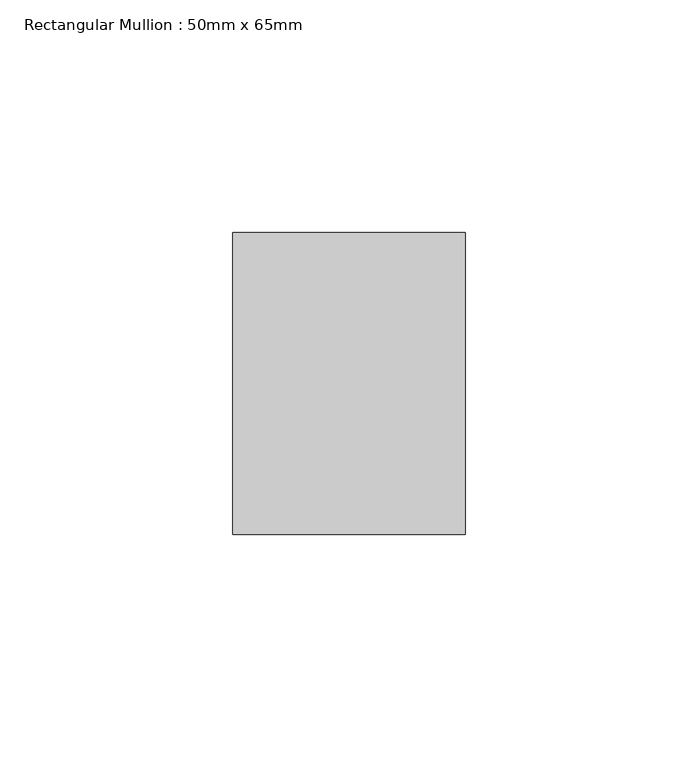
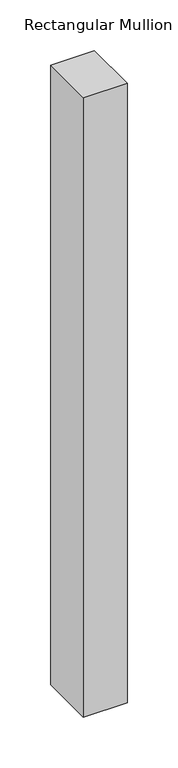
"""IFC4 building model written with IfcOpenShell, lengths in millimetres: member geometry, Rectangular Mullion : 50mm x 65mm."""

from ifc_helpers import new_model, si_unit, frame, origin, place, context, project, spatial, polyline, outline, extrude, source, transform, mapped, element, save


def rectangular_mullion_50mm_x_65mm_21fe7acf(model_context):
    return source(origin(), model_context, "Body", "SweptSolid", [
        extrude(outline(polyline([(25.0, 32.5), (25.0, -32.5), (-25.0, -32.5), (-25.0, 32.5), (25.0, 32.5)])), frame((0.0, 0.0, -748.3578443), z_axis=(0.0, 0.0, 1.0), x_axis=(1.0, 0.0, 0.0)), (0.0, 0.0, 1.0), 748.3578443),
    ])


if __name__ == "__main__":
    model = new_model("IFC4")
    model_context = context("Model", 3, world=origin())
    ifc_project = project(units=[si_unit("LENGTHUNIT", "METRE", prefix="MILLI")], contexts=[model_context])
    site = spatial("IfcSite", under=ifc_project)
    building = spatial("IfcBuilding", under=site)
    placement = place(None, origin())
    rectangular_mullion_50mm_x_65mm_shape = rectangular_mullion_50mm_x_65mm_21fe7acf(model_context)
    element("IfcMember", 1, ObjectType="Rectangular Mullion : 50mm x 65mm", at=placement, inside=building, context=model_context, shape_type="MappedRepresentation", body=[
        mapped(rectangular_mullion_50mm_x_65mm_shape, transform((0.0, 0.0, 0.0), x_axis=(1.0, 0.0, 0.0), y_axis=(0.0, 1.0, 0.0), z_axis=(0.0, 0.0, 1.0))),
    ])
    save(model, "model.ifc")
